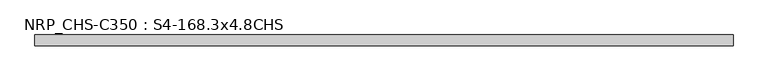
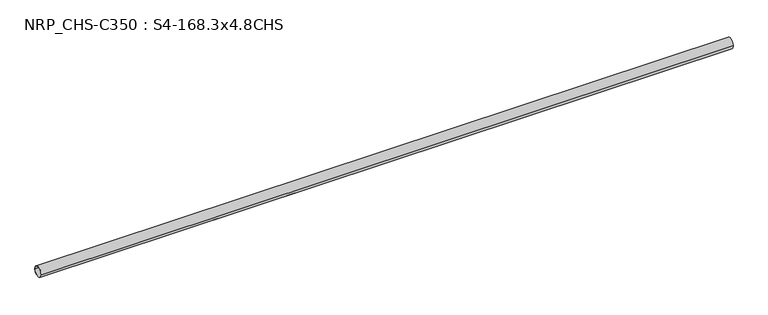
"""IFC4 building model written with IfcOpenShell, lengths in millimetres: beam geometry, NRP_CHS-C350 : S4-168.3x4.8CHS."""

from ifc_helpers import new_model, si_unit, point, frame, origin, origin_2d, place, context, project, spatial, circle_curve, trimmed, segment, composite_curve, outline, extrude, source, transform, mapped, element, save


def nrp_chs_c350_s4_168_3x4_8chs_582ca6bc(model_context):
    return source(origin(), model_context, "Body", "SweptSolid", [
        extrude(outline(composite_curve([segment(trimmed(circle_curve(origin_2d(), 84.15), [point((84.15, 0.0))], [point((-84.15, 0.0))], False, "CARTESIAN"), True, "CONTINUOUS"), segment(trimmed(circle_curve(origin_2d(), 84.15), [point((-84.15, 0.0))], [point((84.15, 0.0))], False, "CARTESIAN"), True, "CONTINUOUS")], self_intersect=False), holes=[composite_curve([segment(trimmed(circle_curve(origin_2d(), 79.35), [point((-79.35, 0.0))], [point((79.35, 0.0))], True, "CARTESIAN"), True, "CONTINUOUS"), segment(trimmed(circle_curve(origin_2d(), 79.35), [point((79.35, 0.0))], [point((-79.35, 0.0))], True, "CARTESIAN"), True, "CONTINUOUS")], self_intersect=False)]), frame((-5499.8, 0.0, 0.0), z_axis=(1.0, 0.0, 0.0), x_axis=(0.0, 1.0, 0.0)), (0.0, 0.0, 1.0), 10999.6),
    ])


if __name__ == "__main__":
    model = new_model("IFC4")
    model_context = context("Model", 3, world=origin())
    ifc_project = project(units=[si_unit("LENGTHUNIT", "METRE", prefix="MILLI")], contexts=[model_context])
    site = spatial("IfcSite", under=ifc_project)
    building = spatial("IfcBuilding", under=site)
    placement = place(None, origin())
    nrp_chs_c350_s4_168_3x4_8chs_shape = nrp_chs_c350_s4_168_3x4_8chs_582ca6bc(model_context)
    element("IfcBeam", 1, ObjectType="NRP_CHS-C350 : S4-168.3x4.8CHS", at=placement, inside=building, context=model_context, shape_type="MappedRepresentation", body=[
        mapped(nrp_chs_c350_s4_168_3x4_8chs_shape, transform((0.0, 0.0, 0.0), x_axis=(1.0, 0.0, 0.0), y_axis=(0.0, 1.0, 0.0), z_axis=(0.0, 0.0, 1.0))),
    ])
    save(model, "model.ifc")
